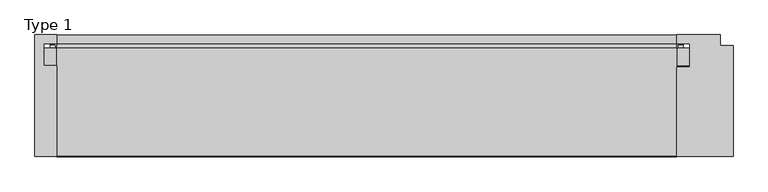
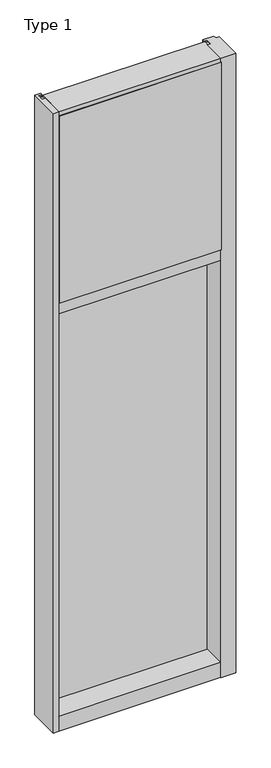
"""IFC4 building model written with IfcOpenShell, lengths in millimetres: plate geometry, Type 1."""

from ifc_helpers import new_model, si_unit, point, frame, frame_2d, origin, place, context, project, spatial, polyline, circle_curve, trimmed, segment, composite_curve, outline, extrude, source, transform, mapped, element, save


def type_1_9c08180e(model_context):
    return source(origin(), model_context, "Body", "SweptSolid", [
        extrude(outline(polyline([(-484.1875, -130.5814), (-484.1875, 47.2186), (-452.4364108, 47.2186), (-452.4364108, 34.036), (-471.4875, 34.036), (-471.4875, 2.286), (-452.4375, 2.286), (-452.4375, -130.5814), (-484.1875, -130.5814)])), frame((0.0, 0.0, -57.15), z_axis=(0.0, 0.0, 1.0), x_axis=(1.0, 0.0, 0.0)), (0.0, 0.0, 1.0), 3657.6),
        extrude(outline(polyline([(452.4375, -130.5814), (452.4375, 0.0), (471.4875, 0.0), (471.4875, 34.036), (452.4375, 34.036), (452.4375, 47.2186), (515.9375, 47.2186), (515.9375, 31.3944), (534.9875, 31.3944), (534.9875, -130.5814), (452.4375, -130.5814)])), frame((0.0, 0.0, -57.15), z_axis=(0.0, 0.0, 1.0), x_axis=(1.0, 0.0, 0.0)), (0.0, 0.0, 1.0), 3657.6),
        extrude(outline(composite_curve([segment(polyline([(-452.5140008, 34.0361122), (-452.9249462, 27.686), (-453.8914521, 27.686), (-453.9189595, 31.7563748)]), True, "CONTINUOUS"), segment(trimmed(circle_curve(frame_2d((-454.553945, 31.7520836)), 0.635), [point((-453.9189595, 31.7563748))], [point((-454.5188642, 32.3861138))], True, "CARTESIAN"), True, "CONTINUOUS"), segment(polyline([(-454.5188642, 32.3861138), (-461.2742251, 32.7598869)]), True, "CONTINUOUS"), segment(trimmed(circle_curve(frame_2d((-461.0916718, 33.7593519)), 1.016), [point((-461.2742251, 32.7598869))], [point((-462.0692504, 34.0361122))], False, "CARTESIAN"), True, "CONTINUOUS"), segment(polyline([(-462.0692504, 34.0361122), (-452.5140008, 34.0361122)]), True, "CONTINUOUS")], self_intersect=False)), frame((0.0, 0.0, 2459.3728643), z_axis=(0.0, 0.0, 1.0), x_axis=(1.0, 0.0, 0.0)), (0.0, 0.0, 1.0), 1134.7271357),
        extrude(outline(composite_curve([segment(polyline([(452.9249462, 27.686), (452.5140008, 34.0361122), (462.0692504, 34.0361122)]), True, "CONTINUOUS"), segment(trimmed(circle_curve(frame_2d((461.0916718, 33.7593519)), 1.016), [point((462.0692504, 34.0361122))], [point((461.2742251, 32.7598869))], False, "CARTESIAN"), True, "CONTINUOUS"), segment(polyline([(461.2742251, 32.7598869), (454.5188642, 32.3861138)]), True, "CONTINUOUS"), segment(trimmed(circle_curve(frame_2d((454.553945, 31.7520836)), 0.635), [point((454.5188642, 32.3861138))], [point((453.9189595, 31.7563748))], True, "CARTESIAN"), True, "CONTINUOUS"), segment(polyline([(453.9189595, 31.7563748), (453.8914521, 27.686), (452.9249462, 27.686)]), True, "CONTINUOUS")], self_intersect=False)), frame((0.0, 0.0, 2459.3728643), z_axis=(0.0, 0.0, 1.0), x_axis=(1.0, 0.0, 0.0)), (0.0, 0.0, 1.0), 1134.7271357),
        extrude(outline(polyline([(34.0361122, 2459.3728643), (27.686, 2459.3728643), (27.686, 2471.8771952), (34.0361122, 2470.1238955), (34.0361122, 2459.3728643)])), frame((-462.0692504, 0.0, 0.0), z_axis=(1.0, 0.0, 0.0), x_axis=(0.0, 1.0, 0.0)), (0.0, 0.0, 1.0), 924.1385007),
        extrude(outline(polyline([(452.4375, -48.514), (452.4375, -131.0159103), (-452.4375, -131.0159103), (-452.4375, -48.514), (452.4375, -48.514)])), frame((0.0, 0.0, 2470.15), z_axis=(0.0, 0.0, 1.0), x_axis=(1.0, 0.0, 0.0)), (0.0, 0.0, 1.0), 1104.9),
        extrude(outline(polyline([(471.4875, 27.686), (471.4875, 2.286), (-471.4875, 2.286), (-471.4875, 27.686), (471.4875, 27.686)])), frame((0.0, 0.0, 2451.1), z_axis=(0.0, 0.0, 1.0), x_axis=(1.0, 0.0, 0.0)), (0.0, 0.0, 1.0), 1143.0),
        extrude(outline(composite_curve([segment(trimmed(circle_curve(frame_2d((-454.5550342, 31.7520836)), 0.635), [point((-453.9200487, 31.7563748))], [point((-454.5199534, 32.3861138))], True, "CARTESIAN"), True, "CONTINUOUS"), segment(polyline([(-454.5199534, 32.3861138), (-461.2753143, 32.7598869)]), True, "CONTINUOUS"), segment(trimmed(circle_curve(frame_2d((-461.0927611, 33.7593519)), 1.016), [point((-461.2753143, 32.7598869))], [point((-462.0703713, 34.036))], False, "CARTESIAN"), True, "CONTINUOUS"), segment(polyline([(-462.0703713, 34.036), (-452.5150972, 34.036), (-452.9260354, 27.686), (-453.8925413, 27.686), (-453.9200487, 31.7563748)]), True, "CONTINUOUS")], self_intersect=False)), frame((0.0, 0.0, 20.9709644), z_axis=(0.0, 0.0, 1.0), x_axis=(1.0, 0.0, 0.0)), (0.0, 0.0, 1.0), 2396.4580861),
        extrude(outline(composite_curve([segment(polyline([(452.9260354, 27.686), (452.5150972, 34.036), (462.0703713, 34.036)]), True, "CONTINUOUS"), segment(trimmed(circle_curve(frame_2d((461.0927611, 33.7593519)), 1.016), [point((462.0703713, 34.036))], [point((461.2753143, 32.7598869))], False, "CARTESIAN"), True, "CONTINUOUS"), segment(polyline([(461.2753143, 32.7598869), (454.5199534, 32.3861138)]), True, "CONTINUOUS"), segment(trimmed(circle_curve(frame_2d((454.5550342, 31.7520836)), 0.635), [point((454.5199534, 32.3861138))], [point((453.9200487, 31.7563748))], True, "CARTESIAN"), True, "CONTINUOUS"), segment(polyline([(453.9200487, 31.7563748), (453.8925413, 27.686), (452.9260354, 27.686)]), True, "CONTINUOUS")], self_intersect=False)), frame((0.0, 0.0, 20.9709644), z_axis=(0.0, 0.0, 1.0), x_axis=(1.0, 0.0, 0.0)), (0.0, 0.0, 1.0), 2396.4580861),
        extrude(outline(polyline([(471.4885892, 27.686), (471.4885892, 2.286), (-471.4885892, 2.286), (-471.4885892, 27.686), (471.4885892, 27.686)])), frame((0.0, 0.0, 12.6962001), z_axis=(0.0, 0.0, 1.0), x_axis=(1.0, 0.0, 0.0)), (0.0, 0.0, 1.0), 2413.0037999),
        extrude(outline(polyline([(27.686, 33.4752684), (34.036, 31.7219997), (34.036, 20.9709644), (27.686, 20.9709644), (27.686, 33.4752684)])), frame((-462.0703713, 0.0, 0.0), z_axis=(1.0, 0.0, 0.0), x_axis=(0.0, 1.0, 0.0)), (0.0, 0.0, 1.0), 924.1407427),
        extrude(outline(polyline([(27.6860992, 2417.4309356), (34.0360992, 2417.4309356), (34.0360992, 2406.6798775), (27.6860992, 2404.9266088), (27.6860992, 2417.4309356)])), frame((-462.0703713, 0.0, 0.0), z_axis=(1.0, 0.0, 0.0), x_axis=(0.0, 1.0, 0.0)), (0.0, 0.0, 1.0), 924.1407427),
        extrude(outline(polyline([(-130.0734, 3600.45), (27.686, 3600.45), (27.686, 3594.1), (0.0, 3594.1), (0.0, 3575.051832), (-130.0734, 3575.051832), (-130.0734, 3600.45)])), frame((-452.4375, 0.0, 0.0), z_axis=(1.0, 0.0, 0.0), x_axis=(0.0, 1.0, 0.0)), (0.0, 0.0, 1.0), 904.875),
        extrude(outline(polyline([(0.0, 2470.15), (0.0, 2451.1), (34.13125, 2451.1), (34.13125, 2470.1462001), (47.2186445, 2470.1462001), (47.2186445, 2406.6462001), (34.13125, 2406.6462001), (34.13125, 2425.7), (0.0, 2425.7), (0.0, 2406.65), (-130.175, 2406.65), (-130.175, 2470.15), (0.0, 2470.15)])), frame((-452.4375, 0.0, 0.0), z_axis=(1.0, 0.0, 0.0), x_axis=(0.0, 1.0, 0.0)), (0.0, 0.0, 1.0), 904.875),
        extrude(outline(polyline([(0.0, 31.75), (0.0, 12.7), (34.13125, 12.7), (34.13125, 31.751832), (47.2186148, 31.751832), (47.2186148, -57.15), (-130.175, -57.15), (-130.175, 31.75), (0.0, 31.75)])), frame((-452.4375, 0.0, 0.0), z_axis=(1.0, 0.0, 0.0), x_axis=(0.0, 1.0, 0.0)), (0.0, 0.0, 1.0), 904.875),
    ])


if __name__ == "__main__":
    model = new_model("IFC4")
    model_context = context("Model", 3, world=origin())
    ifc_project = project(units=[si_unit("LENGTHUNIT", "METRE", prefix="MILLI")], contexts=[model_context])
    site = spatial("IfcSite", under=ifc_project)
    building = spatial("IfcBuilding", under=site)
    placement = place(None, origin())
    type_1_shape = type_1_9c08180e(model_context)
    element("IfcPlate", 1, ObjectType="Type 1", at=placement, inside=building, context=model_context, shape_type="MappedRepresentation", body=[
        mapped(type_1_shape, transform((0.0, 0.0, 0.0), x_axis=(1.0, 0.0, 0.0), y_axis=(0.0, 1.0, 0.0), z_axis=(0.0, 0.0, 1.0))),
    ])
    save(model, "model.ifc")
